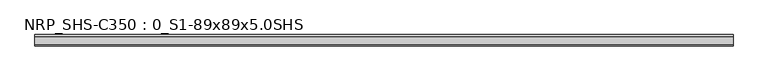
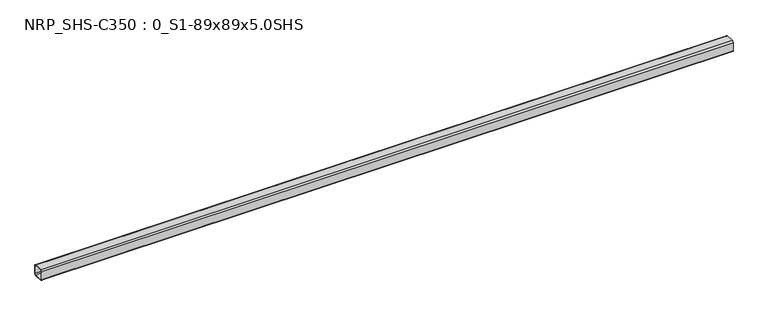
"""IFC4 building model written with IfcOpenShell, lengths in millimetres: beam geometry, NRP_SHS-C350 : 0_S1-89x89x5.0SHS."""

import ifcopenshell
import ifcopenshell.guid

model = None  # the IFC model being written
_history = None  # IfcOwnerHistory: only IFC2X3 demands one
_inside = {}  # id of a spatial element -> (the spatial element, [elements in it])
_under = {}  # id of a project, library or spatial element -> (it, [spatial elements below it])
_declared = {}  # id of a project -> (the project, [libraries it declares])
_typed = {}  # id of a type object -> (the type object, [elements of that type])
_made_of = {}  # id of a material, layer set ... -> (it, [elements and type objects made of it])


def new_model(schema):
    """Start an empty IFC model of exactly this schema.

    Asked for "IFC4X3", IfcOpenShell would pick the latest addendum, in which some entities
    have other attributes; the version numbers below select the first issue.
    IFC2X3 requires an IfcOwnerHistory on every rooted entity: one is made here for all.
    """
    global model, _history
    if schema == "IFC4X3":
        model = ifcopenshell.file(schema_version=(4, 3, 0, 0))
    else:
        model = ifcopenshell.file(schema=schema)
    _inside.clear()
    _under.clear()
    _declared.clear()
    _typed.clear()
    _made_of.clear()
    _history = None
    if model.schema == "IFC2X3":
        org = make("IfcOrganization", Name="unknown")
        user = make(
            "IfcPersonAndOrganization",
            ThePerson=make("IfcPerson", FamilyName="unknown"),
            TheOrganization=org,
        )
        app = make(
            "IfcApplication",
            ApplicationDeveloper=org,
            Version="unknown",
            ApplicationFullName="unknown",
            ApplicationIdentifier="unknown",
        )
        _history = make(
            "IfcOwnerHistory",
            OwningUser=user,
            OwningApplication=app,
            ChangeAction="ADDED",
            CreationDate=0,
        )
    return model


def make(cls, **values):
    """One entity of the class cls with the attributes given. An attribute that is None is left unset."""
    return model.create_entity(
        cls, **{name: value for name, value in values.items() if value is not None}
    )


def rooted(cls, **values):
    """An entity with a GlobalId (a new one), such as an element, a storey or a relation."""
    return make(cls, GlobalId=ifcopenshell.guid.new(), OwnerHistory=_history, **values)


def si_unit(unit_type, name, prefix=None):
    """IfcSIUnit, for example si_unit("LENGTHUNIT", "METRE", prefix="MILLI")."""
    return make("IfcSIUnit", UnitType=unit_type, Prefix=prefix, Name=name)


def assignment(units):
    """IfcUnitAssignment: the units of a project."""
    return None if units is None else make("IfcUnitAssignment", Units=units)


def point(xyz):
    """IfcCartesianPoint."""
    return None if xyz is None else make("IfcCartesianPoint", Coordinates=xyz)


def direction(xyz):
    """IfcDirection."""
    return None if xyz is None else make("IfcDirection", DirectionRatios=xyz)


def frame(location, z_axis=None, x_axis=None):
    """IfcAxis2Placement3D, a coordinate frame: its origin and axes. An axis left out is left unset."""
    return make(
        "IfcAxis2Placement3D",
        Location=point(location),
        Axis=direction(z_axis),
        RefDirection=direction(x_axis),
    )


def frame_2d(location, x_axis=None):
    """IfcAxis2Placement2D, a coordinate frame in the plane: its origin and x axis."""
    return make(
        "IfcAxis2Placement2D", Location=point(location), RefDirection=direction(x_axis)
    )


def origin():
    """The frame at (0, 0, 0) with its axes left unset."""
    return frame((0.0, 0.0, 0.0))


def place(relative_to, where):
    """IfcLocalPlacement: puts the frame where relative to a parent placement (None: the world)."""
    return make(
        "IfcLocalPlacement", PlacementRelTo=relative_to, RelativePlacement=where
    )


def context(
    kind, dimensions, precision=None, world=None, true_north=None, identifier=None
):
    """IfcGeometricRepresentationContext, for example the 3D "Model" context."""
    return make(
        "IfcGeometricRepresentationContext",
        ContextIdentifier=identifier,
        ContextType=kind,
        CoordinateSpaceDimension=dimensions,
        Precision=precision,
        WorldCoordinateSystem=world,
        TrueNorth=true_north,
    )


def project(units=None, contexts=None):
    """IfcProject with its units and contexts."""
    return rooted(
        "IfcProject",
        Name="project",
        RepresentationContexts=contexts,
        UnitsInContext=assignment(units),
    )


def spatial(cls, under=None, at=None, **own):
    """A site, building, storey or space (cls), placed at a placement, below another one or the project."""
    s = rooted(cls, ObjectPlacement=at, **own)
    if under is not None:
        _under.setdefault(under.id(), (under, []))[1].append(s)
    return s


def polyline(points):
    """IfcPolyline through the points."""
    return make("IfcPolyline", Points=[point(p) for p in points])


def circle_curve(where, radius):
    """IfcCircle in the frame where."""
    return make("IfcCircle", Position=where, Radius=radius)


def trimmed(basis, trim1, trim2, sense, master):
    """IfcTrimmedCurve: the piece of a basis curve between two trims."""
    return make(
        "IfcTrimmedCurve",
        BasisCurve=basis,
        Trim1=trim1,
        Trim2=trim2,
        SenseAgreement=sense,
        MasterRepresentation=master,
    )


def segment(curve, same_sense, transition):
    """IfcCompositeCurveSegment."""
    return make(
        "IfcCompositeCurveSegment",
        Transition=transition,
        SameSense=same_sense,
        ParentCurve=curve,
    )


def composite_curve(segments, self_intersect=None):
    """IfcCompositeCurve: segments joined end to end."""
    return make("IfcCompositeCurve", Segments=segments, SelfIntersect=self_intersect)


def outline(outer, holes=None, kind="AREA"):
    """IfcArbitraryClosedProfileDef: a profile drawn as a closed curve; with holes, ...WithVoids."""
    if holes is None:
        return make("IfcArbitraryClosedProfileDef", ProfileType=kind, OuterCurve=outer)
    return make(
        "IfcArbitraryProfileDefWithVoids",
        ProfileType=kind,
        OuterCurve=outer,
        InnerCurves=holes,
    )


def extrude(swept, where, along, depth):
    """IfcExtrudedAreaSolid: the profile swept, set in the frame where, extruded along a direction by depth."""
    return make(
        "IfcExtrudedAreaSolid",
        SweptArea=swept,
        Position=where,
        ExtrudedDirection=direction(along),
        Depth=depth,
    )


def shape(context_of_items, identifier, shape_type, items):
    """IfcShapeRepresentation: the items that make up one representation, for example the "Body"."""
    return make(
        "IfcShapeRepresentation",
        ContextOfItems=context_of_items,
        RepresentationIdentifier=identifier,
        RepresentationType=shape_type,
        Items=items,
    )


def source(mapping_origin, context_of_items, identifier, shape_type, items):
    """IfcRepresentationMap: a shape defined once, which mapped items show again and again."""
    return make(
        "IfcRepresentationMap",
        MappingOrigin=mapping_origin,
        MappedRepresentation=shape(context_of_items, identifier, shape_type, items),
    )


def transform(
    local_origin,
    x_axis=None,
    y_axis=None,
    z_axis=None,
    scale=None,
    scale2=None,
    scale3=None,
    uniform=True,
):
    """IfcCartesianTransformationOperator3D, or its non-uniform kind. x_axis, y_axis, z_axis: its Axis1, 2, 3."""
    if uniform:
        return make(
            "IfcCartesianTransformationOperator3D",
            Axis1=direction(x_axis),
            Axis2=direction(y_axis),
            LocalOrigin=point(local_origin),
            Scale=scale,
            Axis3=direction(z_axis),
        )
    return make(
        "IfcCartesianTransformationOperator3DnonUniform",
        Axis1=direction(x_axis),
        Axis2=direction(y_axis),
        LocalOrigin=point(local_origin),
        Scale=scale,
        Axis3=direction(z_axis),
        Scale2=scale2,
        Scale3=scale3,
    )


def mapped(mapping_source, mapping_target):
    """IfcMappedItem: shows the shape of a source again, moved by a transform."""
    return make(
        "IfcMappedItem", MappingSource=mapping_source, MappingTarget=mapping_target
    )


def made_of(thing, what):
    """Note that an element or type object is made of a material, layer set ...; save() writes the relation."""
    if what is not None:
        _made_of.setdefault(what.id(), (what, []))[1].append(thing)
    return thing


def element(
    cls,
    number,
    at=None,
    inside=None,
    cuts=None,
    type_object=None,
    material=None,
    context=None,
    identifier="Body",
    shape_type=None,
    held_by="IfcProductDefinitionShape",
    body=None,
    shapes=None,
    **own,
):
    """One element of the class cls, such as IfcWall. Its Tag is "e" and its number.

    at: its placement. inside: the storey or other place that contains it. cuts: it is an
    opening in that element (IfcRelVoidsElement). A single representation is given by context,
    identifier, shape_type and body (its items); several are given by shapes. held_by: the class
    of the entity that holds the representations. save() writes the other relations.
    """
    e = rooted(cls, Tag="e%d" % number, ObjectPlacement=at, **own)
    if body is not None:
        shapes = [shape(context, identifier, shape_type, body)]
    if shapes is not None:
        e.Representation = make(held_by, Representations=shapes)
    if inside is not None:
        _inside.setdefault(inside.id(), (inside, []))[1].append(e)
    if cuts is not None:
        rooted(
            "IfcRelVoidsElement", RelatingBuildingElement=cuts, RelatedOpeningElement=e
        )
    if type_object is not None:
        _typed.setdefault(type_object.id(), (type_object, []))[1].append(e)
    return made_of(e, material)


def aggregate(whole, parts):
    """IfcRelAggregates: a whole, such as a stair, and the parts it consists of."""
    return rooted("IfcRelAggregates", RelatingObject=whole, RelatedObjects=parts)


def save(model, path):
    """Write the relations noted so far, then the file.

    IfcRelAggregates (storeys below a building ...), IfcRelContainedInSpatialStructure (elements
    in a storey), IfcRelDefinesByType, IfcRelAssociatesMaterial and IfcRelDeclares: one each for
    every whole, place, type object, material and project.
    """
    for whole, parts in _under.values():
        aggregate(whole, parts)
    for where, things in _inside.values():
        rooted(
            "IfcRelContainedInSpatialStructure",
            RelatedElements=things,
            RelatingStructure=where,
        )
    for kind, things in _typed.values():
        rooted("IfcRelDefinesByType", RelatedObjects=things, RelatingType=kind)
    for what, things in _made_of.values():
        rooted("IfcRelAssociatesMaterial", RelatedObjects=things, RelatingMaterial=what)
    for by, libraries in _declared.values():
        rooted("IfcRelDeclares", RelatingContext=by, RelatedDefinitions=libraries)
    model.write(path)


def nrp_shs_c350_0_s1_89x89x5_0shs_95f0c13b(model_context):
    return source(origin(), model_context, "Body", "SweptSolid", [
        extrude(outline(composite_curve([segment(polyline([(44.5, 32.0), (44.5, -32.0)]), True, "CONTINUOUS"), segment(trimmed(circle_curve(frame_2d((32.0, -32.0)), 12.5), [point((44.5, -32.0))], [point((32.0, -44.5))], False, "CARTESIAN"), True, "CONTINUOUS"), segment(polyline([(32.0, -44.5), (-32.0, -44.5)]), True, "CONTINUOUS"), segment(trimmed(circle_curve(frame_2d((-32.0, -32.0)), 12.5), [point((-32.0, -44.5))], [point((-44.5, -32.0))], False, "CARTESIAN"), True, "CONTINUOUS"), segment(polyline([(-44.5, -32.0), (-44.5, 32.0)]), True, "CONTINUOUS"), segment(trimmed(circle_curve(frame_2d((-32.0, 32.0)), 12.5), [point((-44.5, 32.0))], [point((-32.0, 44.5))], False, "CARTESIAN"), True, "CONTINUOUS"), segment(polyline([(-32.0, 44.5), (32.0, 44.5)]), True, "CONTINUOUS"), segment(trimmed(circle_curve(frame_2d((32.0, 32.0)), 12.5), [point((32.0, 44.5))], [point((44.5, 32.0))], False, "CARTESIAN"), True, "CONTINUOUS")], self_intersect=False), holes=[composite_curve([segment(trimmed(circle_curve(frame_2d((-32.0, 32.0)), 7.5), [point((-32.0, 39.5))], [point((-39.5, 32.0))], True, "CARTESIAN"), True, "CONTINUOUS"), segment(polyline([(-39.5, 32.0), (-39.5, -32.0)]), True, "CONTINUOUS"), segment(trimmed(circle_curve(frame_2d((-32.0, -32.0)), 7.5), [point((-39.5, -32.0))], [point((-32.0, -39.5))], True, "CARTESIAN"), True, "CONTINUOUS"), segment(polyline([(-32.0, -39.5), (32.0, -39.5)]), True, "CONTINUOUS"), segment(trimmed(circle_curve(frame_2d((32.0, -32.0)), 7.5), [point((32.0, -39.5))], [point((39.5, -32.0))], True, "CARTESIAN"), True, "CONTINUOUS"), segment(polyline([(39.5, -32.0), (39.5, 32.0)]), True, "CONTINUOUS"), segment(trimmed(circle_curve(frame_2d((32.0, 32.0)), 7.5), [point((39.5, 32.0))], [point((32.0, 39.5))], True, "CARTESIAN"), True, "CONTINUOUS"), segment(polyline([(32.0, 39.5), (-32.0, 39.5)]), True, "CONTINUOUS")], self_intersect=False)]), frame((-2672.5, 0.0, 0.0), z_axis=(1.0, 0.0, 0.0), x_axis=(0.0, 1.0, 0.0)), (0.0, 0.0, 1.0), 5463.0),
    ])


if __name__ == "__main__":
    model = new_model("IFC4")
    model_context = context("Model", 3, world=origin())
    ifc_project = project(units=[si_unit("LENGTHUNIT", "METRE", prefix="MILLI")], contexts=[model_context])
    site = spatial("IfcSite", under=ifc_project)
    building = spatial("IfcBuilding", under=site)
    placement = place(None, origin())
    nrp_shs_c350_0_s1_89x89x5_0shs_shape = nrp_shs_c350_0_s1_89x89x5_0shs_95f0c13b(model_context)
    element("IfcBeam", 1, ObjectType="NRP_SHS-C350 : 0_S1-89x89x5.0SHS", at=placement, inside=building, context=model_context, shape_type="MappedRepresentation", body=[
        mapped(nrp_shs_c350_0_s1_89x89x5_0shs_shape, transform((0.0, 0.0, 0.0), x_axis=(1.0, 0.0, 0.0), y_axis=(0.0, 1.0, 0.0), z_axis=(0.0, 0.0, 1.0))),
    ])
    save(model, "model.ifc")
